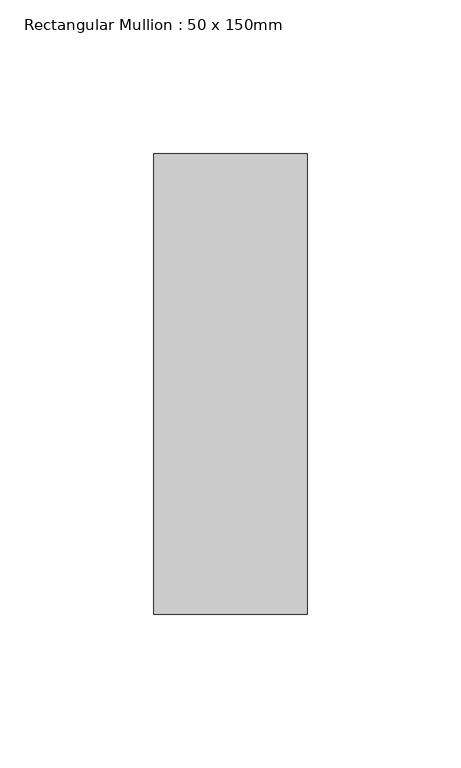
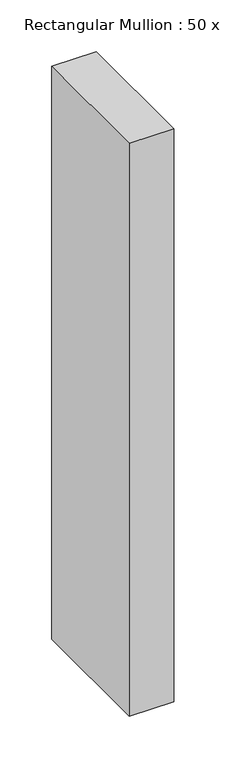
"""IFC4 building model written with IfcOpenShell, lengths in millimetres: member geometry, Rectangular Mullion : 50 x 150mm."""

from ifc_helpers import new_model, si_unit, frame, origin, place, context, project, spatial, polyline, outline, extrude, source, transform, mapped, element, save


def rectangular_mullion_50_x_150mm_06cb8fa2(model_context):
    return source(origin(), model_context, "Body", "SweptSolid", [
        extrude(outline(polyline([(0.0, 75.0), (0.0, -75.0), (-50.0, -75.0), (-50.0, 75.0), (0.0, 75.0)])), frame((0.0, 0.0, -676.6666667), z_axis=(0.0, 0.0, 1.0), x_axis=(1.0, 0.0, 0.0)), (0.0, 0.0, 1.0), 676.6666667),
    ])


if __name__ == "__main__":
    model = new_model("IFC4")
    model_context = context("Model", 3, world=origin())
    ifc_project = project(units=[si_unit("LENGTHUNIT", "METRE", prefix="MILLI")], contexts=[model_context])
    site = spatial("IfcSite", under=ifc_project)
    building = spatial("IfcBuilding", under=site)
    placement = place(None, origin())
    rectangular_mullion_50_x_150mm_shape = rectangular_mullion_50_x_150mm_06cb8fa2(model_context)
    element("IfcMember", 1, ObjectType="Rectangular Mullion : 50 x 150mm", at=placement, inside=building, context=model_context, shape_type="MappedRepresentation", body=[
        mapped(rectangular_mullion_50_x_150mm_shape, transform((0.0, 0.0, 0.0), x_axis=(1.0, 0.0, 0.0), y_axis=(0.0, 1.0, 0.0), z_axis=(0.0, 0.0, 1.0))),
    ])
    save(model, "model.ifc")
